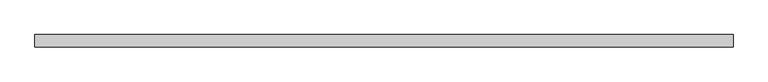
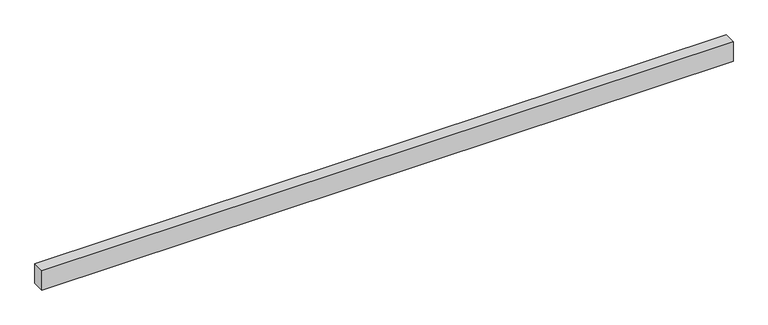
"""IFC4 building model written with IfcOpenShell, lengths in millimetres: proxy geometry."""

from ifc_helpers import new_model, si_unit, origin, origin_with_axes, place, context, project, spatial, polyline, outline, extrude, source, transform, mapped, element, save


def generic_models_cb77864b(model_context):
    return source(origin(), model_context, "Body", "SweptSolid", [
        extrude(outline(polyline([(17000.0, 300.0), (17000.0, 0.0), (0.0, 0.0), (0.0, 300.0), (17000.0, 300.0)])), origin_with_axes(), (0.0, 0.0, 1.0), 500.0),
    ])


if __name__ == "__main__":
    model = new_model("IFC4")
    model_context = context("Model", 3, world=origin())
    ifc_project = project(units=[si_unit("LENGTHUNIT", "METRE", prefix="MILLI")], contexts=[model_context])
    site = spatial("IfcSite", under=ifc_project)
    building = spatial("IfcBuilding", under=site)
    placement = place(None, origin())
    generic_models_shape = generic_models_cb77864b(model_context)
    element("IfcBuildingElementProxy", 1, Name="Generic Models", at=placement, inside=building, context=model_context, shape_type="MappedRepresentation", body=[
        mapped(generic_models_shape, transform((0.0, 0.0, 0.0), x_axis=(1.0, 0.0, 0.0), y_axis=(0.0, 1.0, 0.0), z_axis=(0.0, 0.0, 1.0))),
    ])
    save(model, "model.ifc")
